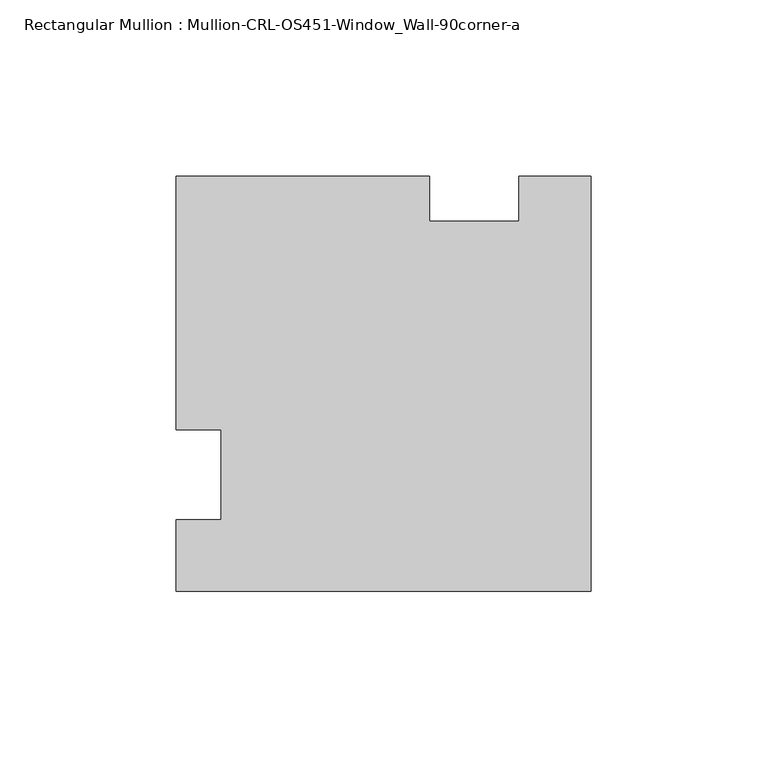
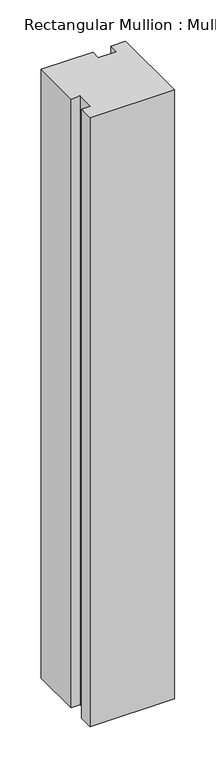
"""IFC4 building model written with IfcOpenShell, lengths in millimetres: member geometry, Rectangular Mullion : Mullion-CRL-OS451-Window_Wall-90corner-a."""

import ifcopenshell
import ifcopenshell.guid

model = None  # the IFC model being written
_history = None  # IfcOwnerHistory: only IFC2X3 demands one
_inside = {}  # id of a spatial element -> (the spatial element, [elements in it])
_under = {}  # id of a project, library or spatial element -> (it, [spatial elements below it])
_declared = {}  # id of a project -> (the project, [libraries it declares])
_typed = {}  # id of a type object -> (the type object, [elements of that type])
_made_of = {}  # id of a material, layer set ... -> (it, [elements and type objects made of it])


def new_model(schema):
    """Start an empty IFC model of exactly this schema.

    Asked for "IFC4X3", IfcOpenShell would pick the latest addendum, in which some entities
    have other attributes; the version numbers below select the first issue.
    IFC2X3 requires an IfcOwnerHistory on every rooted entity: one is made here for all.
    """
    global model, _history
    if schema == "IFC4X3":
        model = ifcopenshell.file(schema_version=(4, 3, 0, 0))
    else:
        model = ifcopenshell.file(schema=schema)
    _inside.clear()
    _under.clear()
    _declared.clear()
    _typed.clear()
    _made_of.clear()
    _history = None
    if model.schema == "IFC2X3":
        org = make("IfcOrganization", Name="unknown")
        user = make(
            "IfcPersonAndOrganization",
            ThePerson=make("IfcPerson", FamilyName="unknown"),
            TheOrganization=org,
        )
        app = make(
            "IfcApplication",
            ApplicationDeveloper=org,
            Version="unknown",
            ApplicationFullName="unknown",
            ApplicationIdentifier="unknown",
        )
        _history = make(
            "IfcOwnerHistory",
            OwningUser=user,
            OwningApplication=app,
            ChangeAction="ADDED",
            CreationDate=0,
        )
    return model


def make(cls, **values):
    """One entity of the class cls with the attributes given. An attribute that is None is left unset."""
    return model.create_entity(
        cls, **{name: value for name, value in values.items() if value is not None}
    )


def rooted(cls, **values):
    """An entity with a GlobalId (a new one), such as an element, a storey or a relation."""
    return make(cls, GlobalId=ifcopenshell.guid.new(), OwnerHistory=_history, **values)


def si_unit(unit_type, name, prefix=None):
    """IfcSIUnit, for example si_unit("LENGTHUNIT", "METRE", prefix="MILLI")."""
    return make("IfcSIUnit", UnitType=unit_type, Prefix=prefix, Name=name)


def assignment(units):
    """IfcUnitAssignment: the units of a project."""
    return None if units is None else make("IfcUnitAssignment", Units=units)


def point(xyz):
    """IfcCartesianPoint."""
    return None if xyz is None else make("IfcCartesianPoint", Coordinates=xyz)


def direction(xyz):
    """IfcDirection."""
    return None if xyz is None else make("IfcDirection", DirectionRatios=xyz)


def frame(location, z_axis=None, x_axis=None):
    """IfcAxis2Placement3D, a coordinate frame: its origin and axes. An axis left out is left unset."""
    return make(
        "IfcAxis2Placement3D",
        Location=point(location),
        Axis=direction(z_axis),
        RefDirection=direction(x_axis),
    )


def origin():
    """The frame at (0, 0, 0) with its axes left unset."""
    return frame((0.0, 0.0, 0.0))


def place(relative_to, where):
    """IfcLocalPlacement: puts the frame where relative to a parent placement (None: the world)."""
    return make(
        "IfcLocalPlacement", PlacementRelTo=relative_to, RelativePlacement=where
    )


def context(
    kind, dimensions, precision=None, world=None, true_north=None, identifier=None
):
    """IfcGeometricRepresentationContext, for example the 3D "Model" context."""
    return make(
        "IfcGeometricRepresentationContext",
        ContextIdentifier=identifier,
        ContextType=kind,
        CoordinateSpaceDimension=dimensions,
        Precision=precision,
        WorldCoordinateSystem=world,
        TrueNorth=true_north,
    )


def project(units=None, contexts=None):
    """IfcProject with its units and contexts."""
    return rooted(
        "IfcProject",
        Name="project",
        RepresentationContexts=contexts,
        UnitsInContext=assignment(units),
    )


def spatial(cls, under=None, at=None, **own):
    """A site, building, storey or space (cls), placed at a placement, below another one or the project."""
    s = rooted(cls, ObjectPlacement=at, **own)
    if under is not None:
        _under.setdefault(under.id(), (under, []))[1].append(s)
    return s


def polyline(points):
    """IfcPolyline through the points."""
    return make("IfcPolyline", Points=[point(p) for p in points])


def outline(outer, holes=None, kind="AREA"):
    """IfcArbitraryClosedProfileDef: a profile drawn as a closed curve; with holes, ...WithVoids."""
    if holes is None:
        return make("IfcArbitraryClosedProfileDef", ProfileType=kind, OuterCurve=outer)
    return make(
        "IfcArbitraryProfileDefWithVoids",
        ProfileType=kind,
        OuterCurve=outer,
        InnerCurves=holes,
    )


def extrude(swept, where, along, depth):
    """IfcExtrudedAreaSolid: the profile swept, set in the frame where, extruded along a direction by depth."""
    return make(
        "IfcExtrudedAreaSolid",
        SweptArea=swept,
        Position=where,
        ExtrudedDirection=direction(along),
        Depth=depth,
    )


def shape(context_of_items, identifier, shape_type, items):
    """IfcShapeRepresentation: the items that make up one representation, for example the "Body"."""
    return make(
        "IfcShapeRepresentation",
        ContextOfItems=context_of_items,
        RepresentationIdentifier=identifier,
        RepresentationType=shape_type,
        Items=items,
    )


def source(mapping_origin, context_of_items, identifier, shape_type, items):
    """IfcRepresentationMap: a shape defined once, which mapped items show again and again."""
    return make(
        "IfcRepresentationMap",
        MappingOrigin=mapping_origin,
        MappedRepresentation=shape(context_of_items, identifier, shape_type, items),
    )


def transform(
    local_origin,
    x_axis=None,
    y_axis=None,
    z_axis=None,
    scale=None,
    scale2=None,
    scale3=None,
    uniform=True,
):
    """IfcCartesianTransformationOperator3D, or its non-uniform kind. x_axis, y_axis, z_axis: its Axis1, 2, 3."""
    if uniform:
        return make(
            "IfcCartesianTransformationOperator3D",
            Axis1=direction(x_axis),
            Axis2=direction(y_axis),
            LocalOrigin=point(local_origin),
            Scale=scale,
            Axis3=direction(z_axis),
        )
    return make(
        "IfcCartesianTransformationOperator3DnonUniform",
        Axis1=direction(x_axis),
        Axis2=direction(y_axis),
        LocalOrigin=point(local_origin),
        Scale=scale,
        Axis3=direction(z_axis),
        Scale2=scale2,
        Scale3=scale3,
    )


def mapped(mapping_source, mapping_target):
    """IfcMappedItem: shows the shape of a source again, moved by a transform."""
    return make(
        "IfcMappedItem", MappingSource=mapping_source, MappingTarget=mapping_target
    )


def made_of(thing, what):
    """Note that an element or type object is made of a material, layer set ...; save() writes the relation."""
    if what is not None:
        _made_of.setdefault(what.id(), (what, []))[1].append(thing)
    return thing


def element(
    cls,
    number,
    at=None,
    inside=None,
    cuts=None,
    type_object=None,
    material=None,
    context=None,
    identifier="Body",
    shape_type=None,
    held_by="IfcProductDefinitionShape",
    body=None,
    shapes=None,
    **own,
):
    """One element of the class cls, such as IfcWall. Its Tag is "e" and its number.

    at: its placement. inside: the storey or other place that contains it. cuts: it is an
    opening in that element (IfcRelVoidsElement). A single representation is given by context,
    identifier, shape_type and body (its items); several are given by shapes. held_by: the class
    of the entity that holds the representations. save() writes the other relations.
    """
    e = rooted(cls, Tag="e%d" % number, ObjectPlacement=at, **own)
    if body is not None:
        shapes = [shape(context, identifier, shape_type, body)]
    if shapes is not None:
        e.Representation = make(held_by, Representations=shapes)
    if inside is not None:
        _inside.setdefault(inside.id(), (inside, []))[1].append(e)
    if cuts is not None:
        rooted(
            "IfcRelVoidsElement", RelatingBuildingElement=cuts, RelatedOpeningElement=e
        )
    if type_object is not None:
        _typed.setdefault(type_object.id(), (type_object, []))[1].append(e)
    return made_of(e, material)


def aggregate(whole, parts):
    """IfcRelAggregates: a whole, such as a stair, and the parts it consists of."""
    return rooted("IfcRelAggregates", RelatingObject=whole, RelatedObjects=parts)


def save(model, path):
    """Write the relations noted so far, then the file.

    IfcRelAggregates (storeys below a building ...), IfcRelContainedInSpatialStructure (elements
    in a storey), IfcRelDefinesByType, IfcRelAssociatesMaterial and IfcRelDeclares: one each for
    every whole, place, type object, material and project.
    """
    for whole, parts in _under.values():
        aggregate(whole, parts)
    for where, things in _inside.values():
        rooted(
            "IfcRelContainedInSpatialStructure",
            RelatedElements=things,
            RelatingStructure=where,
        )
    for kind, things in _typed.values():
        rooted("IfcRelDefinesByType", RelatedObjects=things, RelatingType=kind)
    for what, things in _made_of.values():
        rooted("IfcRelAssociatesMaterial", RelatedObjects=things, RelatingMaterial=what)
    for by, libraries in _declared.values():
        rooted("IfcRelDeclares", RelatingContext=by, RelatedDefinitions=libraries)
    model.write(path)


def rectangular_mullion_mullion_crl_os451_window_wall_90corner_a_d50c6cd5(model_context):
    return source(origin(), model_context, "Body", "SweptSolid", [
        extrude(outline(polyline([(-117.6780898, 12.6999522), (-117.6780898, 84.6587463), (-45.7656636, 84.6587463), (-45.7656636, 71.8666864), (-20.3235031, 71.8666864), (-20.3235031, 84.6587463), (0.0, 84.6587463), (0.0, -33.0327125), (-117.6780898, -33.0327125), (-117.6780898, -12.7090868), (-104.8670101, -12.7090868), (-104.8670101, 12.6999522), (-117.6780898, 12.6999522)])), frame((0.0, 0.0, -896.6199516), z_axis=(0.0, 0.0, 1.0), x_axis=(1.0, 0.0, 0.0)), (0.0, 0.0, 1.0), 896.6199516),
    ])


if __name__ == "__main__":
    model = new_model("IFC4")
    model_context = context("Model", 3, world=origin())
    ifc_project = project(units=[si_unit("LENGTHUNIT", "METRE", prefix="MILLI")], contexts=[model_context])
    site = spatial("IfcSite", under=ifc_project)
    building = spatial("IfcBuilding", under=site)
    placement = place(None, origin())
    rectangular_mullion_mullion_crl_os451_window_wall_90corner_a_shape = rectangular_mullion_mullion_crl_os451_window_wall_90corner_a_d50c6cd5(model_context)
    element("IfcMember", 1, ObjectType="Rectangular Mullion : Mullion-CRL-OS451-Window_Wall-90corner-a", at=placement, inside=building, context=model_context, shape_type="MappedRepresentation", body=[
        mapped(rectangular_mullion_mullion_crl_os451_window_wall_90corner_a_shape, transform((0.0, 0.0, 0.0), x_axis=(1.0, 0.0, 0.0), y_axis=(0.0, 1.0, 0.0), z_axis=(0.0, 0.0, 1.0))),
    ])
    save(model, "model.ifc")
